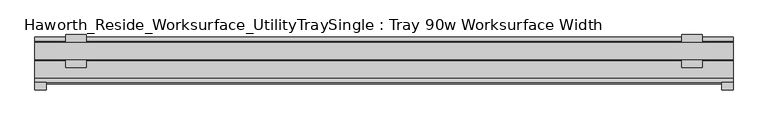
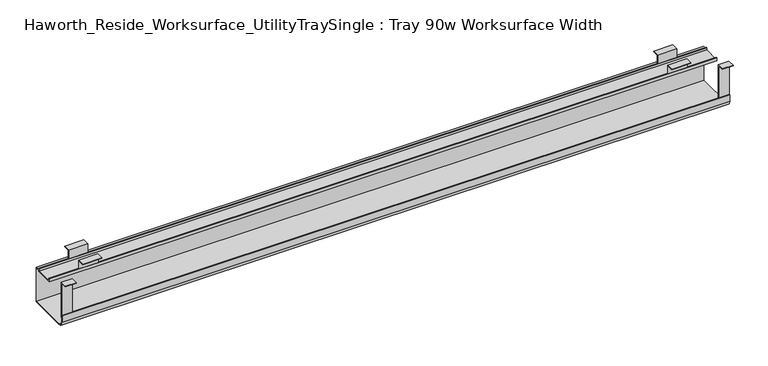
"""IFC4 building model written with IfcOpenShell, lengths in millimetres: furniture geometry, Haworth_Reside_Worksurface_UtilityTraySingle : Tray 90w Worksurface Width."""

from ifc_helpers import new_model, si_unit, point, frame, frame_2d, origin, place, context, project, spatial, polyline, circle_curve, trimmed, segment, composite_curve, outline, extrude, source, transform, mapped, element, save


def haworth_reside_worksurface_utilitytraysingle_tray_90w_1b5f6433(model_context):
    return source(origin(), model_context, "Body", "SweptSolid", [
        extrude(outline(polyline([(85.2804983, 731.8375), (85.2804983, 705.0616227), (83.6929983, 705.0616227), (83.6929983, 730.25), (64.1984987, 730.25), (64.1984987, 731.8375), (85.2804983, 731.8375)])), frame((921.54375, 0.0, 0.0), z_axis=(1.0, 0.0, 0.0), x_axis=(0.0, 1.0, 0.0)), (0.0, 0.0, 1.0), 57.15),
        extrude(outline(polyline([(136.0804991, 731.8375), (157.1625, 731.8375), (157.1625, 730.25), (137.6679991, 730.25), (137.6679991, 705.0616227), (136.0804991, 705.0616227), (136.0804991, 731.8375)])), frame((921.54375, 0.0, 0.0), z_axis=(1.0, 0.0, 0.0), x_axis=(0.0, 1.0, 0.0)), (0.0, 0.0, 1.0), 57.15),
        extrude(outline(polyline([(85.2804983, 731.8375), (85.2804983, 705.0616227), (83.6929983, 705.0616227), (83.6929983, 730.25), (64.1984987, 730.25), (64.1984987, 731.8375), (85.2804983, 731.8375)])), frame((-826.29375, 0.0, 0.0), z_axis=(1.0, 0.0, 0.0), x_axis=(0.0, 1.0, 0.0)), (0.0, 0.0, 1.0), 57.15),
        extrude(outline(polyline([(136.0804991, 731.8375), (157.1625, 731.8375), (157.1625, 730.25), (137.6679991, 730.25), (137.6679991, 705.0616227), (136.0804991, 705.0616227), (136.0804991, 731.8375)])), frame((-826.29375, 0.0, 0.0), z_axis=(1.0, 0.0, 0.0), x_axis=(0.0, 1.0, 0.0)), (0.0, 0.0, 1.0), 57.15),
        extrude(outline(polyline([(21.0438957, 731.8375), (21.0438957, 622.3673792), (19.4563957, 622.3673792), (19.4563957, 730.25), (0.0, 730.25), (0.0, 731.8375), (21.0438957, 731.8375)])), frame((1035.05, 0.0, 0.0), z_axis=(1.0, 0.0, 0.0), x_axis=(0.0, 1.0, 0.0)), (0.0, 0.0, 1.0), 31.75),
        extrude(outline(polyline([(21.0438957, 731.8375), (21.0438957, 622.3673792), (19.4563957, 622.3673792), (19.4563957, 730.25), (0.0, 730.25), (0.0, 731.8375), (21.0438957, 731.8375)])), frame((-914.4, 0.0, 0.0), z_axis=(1.0, 0.0, 0.0), x_axis=(0.0, 1.0, 0.0)), (0.0, 0.0, 1.0), 31.75),
        extrude(outline(composite_curve([segment(polyline([(151.2189002, 592.1375), (33.7438957, 592.1375)]), True, "CONTINUOUS"), segment(trimmed(circle_curve(frame_2d((33.7438957, 608.0125)), 15.875), [point((33.7438957, 592.1375))], [point((17.8688957, 608.0125))], False, "CARTESIAN"), True, "CONTINUOUS"), segment(polyline([(17.8688957, 608.0125), (17.8688957, 629.0309801), (19.4563957, 629.0309801), (19.4563957, 608.0759608)]), True, "CONTINUOUS"), segment(trimmed(circle_curve(frame_2d((33.7438957, 608.0759608)), 14.2875), [point((19.4563957, 608.0759608))], [point((33.7438957, 593.7884608))], True, "CARTESIAN"), True, "CONTINUOUS"), segment(polyline([(33.7438957, 593.7884608), (149.6314002, 593.7884608), (149.6314002, 698.4364942), (137.6679991, 698.4364942), (137.6679991, 695.8584054), (83.6929983, 695.8584054), (83.6929983, 705.0616227), (85.2804983, 705.0616227), (85.2804983, 697.4459054), (136.0804991, 697.4459054), (136.0804991, 705.0616227), (137.6679991, 705.0616227), (137.6679991, 700.0239942), (151.2189002, 700.0239942), (151.2189002, 592.1375)]), True, "CONTINUOUS")], self_intersect=False)), frame((-914.4, 0.0, 0.0), z_axis=(1.0, 0.0, 0.0), x_axis=(0.0, 1.0, 0.0)), (0.0, 0.0, 1.0), 1981.2),
    ])


if __name__ == "__main__":
    model = new_model("IFC4")
    model_context = context("Model", 3, world=origin())
    ifc_project = project(units=[si_unit("LENGTHUNIT", "METRE", prefix="MILLI")], contexts=[model_context])
    site = spatial("IfcSite", under=ifc_project)
    building = spatial("IfcBuilding", under=site)
    placement = place(None, origin())
    haworth_reside_worksurface_utilitytraysingle_tray_90w_shape = haworth_reside_worksurface_utilitytraysingle_tray_90w_1b5f6433(model_context)
    element("IfcFurniture", 1, ObjectType="Haworth_Reside_Worksurface_UtilityTraySingle : Tray 90w Worksurface Width", at=placement, inside=building, context=model_context, shape_type="MappedRepresentation", body=[
        mapped(haworth_reside_worksurface_utilitytraysingle_tray_90w_shape, transform((0.0, 0.0, 0.0), x_axis=(1.0, 0.0, 0.0), y_axis=(0.0, 1.0, 0.0), z_axis=(0.0, 0.0, 1.0))),
    ])
    save(model, "model.ifc")
